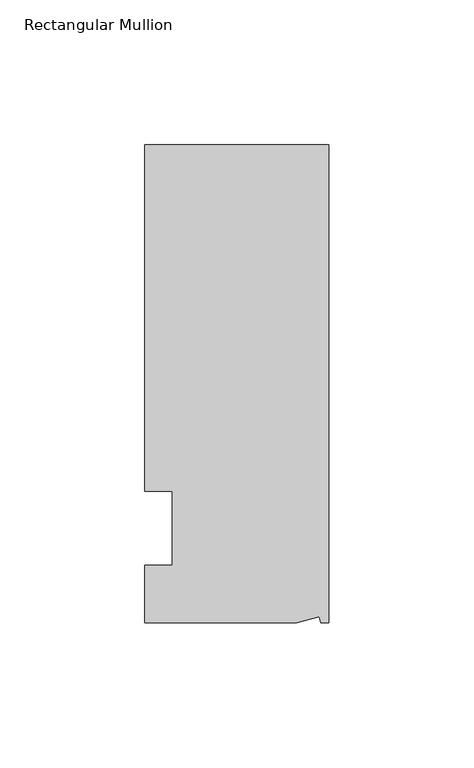
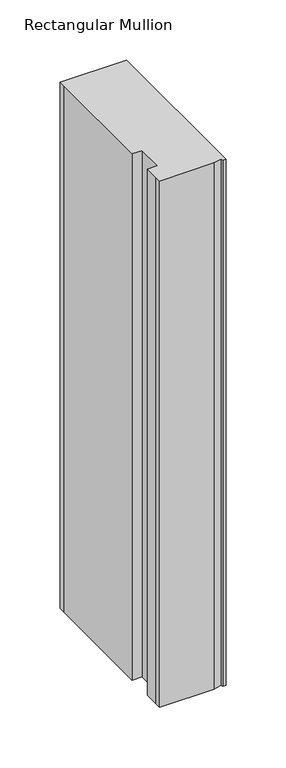
"""IFC4 building model written with IfcOpenShell, lengths in millimetres: member geometry, Rectangular Mullion."""

import ifcopenshell
import ifcopenshell.guid

model = None  # the IFC model being written
_history = None  # IfcOwnerHistory: only IFC2X3 demands one
_inside = {}  # id of a spatial element -> (the spatial element, [elements in it])
_under = {}  # id of a project, library or spatial element -> (it, [spatial elements below it])
_declared = {}  # id of a project -> (the project, [libraries it declares])
_typed = {}  # id of a type object -> (the type object, [elements of that type])
_made_of = {}  # id of a material, layer set ... -> (it, [elements and type objects made of it])


def new_model(schema):
    """Start an empty IFC model of exactly this schema.

    Asked for "IFC4X3", IfcOpenShell would pick the latest addendum, in which some entities
    have other attributes; the version numbers below select the first issue.
    IFC2X3 requires an IfcOwnerHistory on every rooted entity: one is made here for all.
    """
    global model, _history
    if schema == "IFC4X3":
        model = ifcopenshell.file(schema_version=(4, 3, 0, 0))
    else:
        model = ifcopenshell.file(schema=schema)
    _inside.clear()
    _under.clear()
    _declared.clear()
    _typed.clear()
    _made_of.clear()
    _history = None
    if model.schema == "IFC2X3":
        org = make("IfcOrganization", Name="unknown")
        user = make(
            "IfcPersonAndOrganization",
            ThePerson=make("IfcPerson", FamilyName="unknown"),
            TheOrganization=org,
        )
        app = make(
            "IfcApplication",
            ApplicationDeveloper=org,
            Version="unknown",
            ApplicationFullName="unknown",
            ApplicationIdentifier="unknown",
        )
        _history = make(
            "IfcOwnerHistory",
            OwningUser=user,
            OwningApplication=app,
            ChangeAction="ADDED",
            CreationDate=0,
        )
    return model


def make(cls, **values):
    """One entity of the class cls with the attributes given. An attribute that is None is left unset."""
    return model.create_entity(
        cls, **{name: value for name, value in values.items() if value is not None}
    )


def rooted(cls, **values):
    """An entity with a GlobalId (a new one), such as an element, a storey or a relation."""
    return make(cls, GlobalId=ifcopenshell.guid.new(), OwnerHistory=_history, **values)


def si_unit(unit_type, name, prefix=None):
    """IfcSIUnit, for example si_unit("LENGTHUNIT", "METRE", prefix="MILLI")."""
    return make("IfcSIUnit", UnitType=unit_type, Prefix=prefix, Name=name)


def assignment(units):
    """IfcUnitAssignment: the units of a project."""
    return None if units is None else make("IfcUnitAssignment", Units=units)


def point(xyz):
    """IfcCartesianPoint."""
    return None if xyz is None else make("IfcCartesianPoint", Coordinates=xyz)


def direction(xyz):
    """IfcDirection."""
    return None if xyz is None else make("IfcDirection", DirectionRatios=xyz)


def frame(location, z_axis=None, x_axis=None):
    """IfcAxis2Placement3D, a coordinate frame: its origin and axes. An axis left out is left unset."""
    return make(
        "IfcAxis2Placement3D",
        Location=point(location),
        Axis=direction(z_axis),
        RefDirection=direction(x_axis),
    )


def origin():
    """The frame at (0, 0, 0) with its axes left unset."""
    return frame((0.0, 0.0, 0.0))


def place(relative_to, where):
    """IfcLocalPlacement: puts the frame where relative to a parent placement (None: the world)."""
    return make(
        "IfcLocalPlacement", PlacementRelTo=relative_to, RelativePlacement=where
    )


def context(
    kind, dimensions, precision=None, world=None, true_north=None, identifier=None
):
    """IfcGeometricRepresentationContext, for example the 3D "Model" context."""
    return make(
        "IfcGeometricRepresentationContext",
        ContextIdentifier=identifier,
        ContextType=kind,
        CoordinateSpaceDimension=dimensions,
        Precision=precision,
        WorldCoordinateSystem=world,
        TrueNorth=true_north,
    )


def project(units=None, contexts=None):
    """IfcProject with its units and contexts."""
    return rooted(
        "IfcProject",
        Name="project",
        RepresentationContexts=contexts,
        UnitsInContext=assignment(units),
    )


def spatial(cls, under=None, at=None, **own):
    """A site, building, storey or space (cls), placed at a placement, below another one or the project."""
    s = rooted(cls, ObjectPlacement=at, **own)
    if under is not None:
        _under.setdefault(under.id(), (under, []))[1].append(s)
    return s


def faces_of(points, faces, orient=None, outer=None):
    """IfcFace entities. A face is a list of loops; a loop is a list of indices into points, from 0.

    orient and outer hold one flag for each loop. By default every Orientation is true, the
    first loop of a face is its IfcFaceOuterBound and the others are IfcFaceBound.
    """
    made = []
    for i, loops in enumerate(faces):
        bounds = []
        for j, loop in enumerate(loops):
            is_outer = j == 0 if outer is None else outer[i][j]
            bounds.append(
                make(
                    "IfcFaceOuterBound" if is_outer else "IfcFaceBound",
                    Bound=make("IfcPolyLoop", Polygon=[points[k] for k in loop]),
                    Orientation=True if orient is None else orient[i][j],
                )
            )
        made.append(make("IfcFace", Bounds=bounds))
    return made


def faceted_brep(points, faces, orient=None, outer=None, voids=None):
    """IfcFacetedBrep: a solid bounded by flat faces; with voids (closed shells), ...WithVoids."""
    shared = [point(p) for p in points]
    hull = make("IfcClosedShell", CfsFaces=faces_of(shared, faces, orient, outer))
    if voids is None:
        return make("IfcFacetedBrep", Outer=hull)
    return make(
        "IfcFacetedBrepWithVoids",
        Outer=hull,
        Voids=[
            make(cls, CfsFaces=faces_of(shared, fs, o, b)) for cls, fs, o, b in voids
        ],
    )


def shape(context_of_items, identifier, shape_type, items):
    """IfcShapeRepresentation: the items that make up one representation, for example the "Body"."""
    return make(
        "IfcShapeRepresentation",
        ContextOfItems=context_of_items,
        RepresentationIdentifier=identifier,
        RepresentationType=shape_type,
        Items=items,
    )


def source(mapping_origin, context_of_items, identifier, shape_type, items):
    """IfcRepresentationMap: a shape defined once, which mapped items show again and again."""
    return make(
        "IfcRepresentationMap",
        MappingOrigin=mapping_origin,
        MappedRepresentation=shape(context_of_items, identifier, shape_type, items),
    )


def transform(
    local_origin,
    x_axis=None,
    y_axis=None,
    z_axis=None,
    scale=None,
    scale2=None,
    scale3=None,
    uniform=True,
):
    """IfcCartesianTransformationOperator3D, or its non-uniform kind. x_axis, y_axis, z_axis: its Axis1, 2, 3."""
    if uniform:
        return make(
            "IfcCartesianTransformationOperator3D",
            Axis1=direction(x_axis),
            Axis2=direction(y_axis),
            LocalOrigin=point(local_origin),
            Scale=scale,
            Axis3=direction(z_axis),
        )
    return make(
        "IfcCartesianTransformationOperator3DnonUniform",
        Axis1=direction(x_axis),
        Axis2=direction(y_axis),
        LocalOrigin=point(local_origin),
        Scale=scale,
        Axis3=direction(z_axis),
        Scale2=scale2,
        Scale3=scale3,
    )


def mapped(mapping_source, mapping_target):
    """IfcMappedItem: shows the shape of a source again, moved by a transform."""
    return make(
        "IfcMappedItem", MappingSource=mapping_source, MappingTarget=mapping_target
    )


def made_of(thing, what):
    """Note that an element or type object is made of a material, layer set ...; save() writes the relation."""
    if what is not None:
        _made_of.setdefault(what.id(), (what, []))[1].append(thing)
    return thing


def element(
    cls,
    number,
    at=None,
    inside=None,
    cuts=None,
    type_object=None,
    material=None,
    context=None,
    identifier="Body",
    shape_type=None,
    held_by="IfcProductDefinitionShape",
    body=None,
    shapes=None,
    **own,
):
    """One element of the class cls, such as IfcWall. Its Tag is "e" and its number.

    at: its placement. inside: the storey or other place that contains it. cuts: it is an
    opening in that element (IfcRelVoidsElement). A single representation is given by context,
    identifier, shape_type and body (its items); several are given by shapes. held_by: the class
    of the entity that holds the representations. save() writes the other relations.
    """
    e = rooted(cls, Tag="e%d" % number, ObjectPlacement=at, **own)
    if body is not None:
        shapes = [shape(context, identifier, shape_type, body)]
    if shapes is not None:
        e.Representation = make(held_by, Representations=shapes)
    if inside is not None:
        _inside.setdefault(inside.id(), (inside, []))[1].append(e)
    if cuts is not None:
        rooted(
            "IfcRelVoidsElement", RelatingBuildingElement=cuts, RelatedOpeningElement=e
        )
    if type_object is not None:
        _typed.setdefault(type_object.id(), (type_object, []))[1].append(e)
    return made_of(e, material)


def aggregate(whole, parts):
    """IfcRelAggregates: a whole, such as a stair, and the parts it consists of."""
    return rooted("IfcRelAggregates", RelatingObject=whole, RelatedObjects=parts)


def save(model, path):
    """Write the relations noted so far, then the file.

    IfcRelAggregates (storeys below a building ...), IfcRelContainedInSpatialStructure (elements
    in a storey), IfcRelDefinesByType, IfcRelAssociatesMaterial and IfcRelDeclares: one each for
    every whole, place, type object, material and project.
    """
    for whole, parts in _under.values():
        aggregate(whole, parts)
    for where, things in _inside.values():
        rooted(
            "IfcRelContainedInSpatialStructure",
            RelatedElements=things,
            RelatingStructure=where,
        )
    for kind, things in _typed.values():
        rooted("IfcRelDefinesByType", RelatedObjects=things, RelatingType=kind)
    for what, things in _made_of.values():
        rooted("IfcRelAssociatesMaterial", RelatedObjects=things, RelatingMaterial=what)
    for by, libraries in _declared.values():
        rooted("IfcRelDeclares", RelatingContext=by, RelatedDefinitions=libraries)
    model.write(path)


def rectangular_mullion_608979ba(model_context):
    return source(origin(), model_context, "Body", "Brep", [
        faceted_brep([(0.0, 132.5561012, 0.0), (-63.5, 132.5561012, 0.0), (-63.5, 126.2061012, 0.0), (-63.5, 12.8488281, 0.0), (-53.975, 12.8488281, 0.0), (-53.975, -12.7, 0.0), (-63.5, -12.7, 0.0), (-63.5, -26.1938988, 0.0), (-63.5076469, -32.5438988, 0.0), (-11.1125, -32.5438988, 0.0), (-3.3223696, -30.4565397, 0.0), (-2.7630634, -32.5438988, 0.0), (0.0, -32.5438988, 0.0), (0.0, 132.5561012, -533.4), (0.0, -32.5438988, -533.4), (-2.7630634, -32.5438988, -533.4), (-3.3223696, -30.4565397, -533.4), (-11.1125, -32.5438988, -533.4), (-63.5076469, -32.5438988, -533.4), (-63.5076469, -26.1938988, -533.4), (-63.5, -12.7, -533.4), (-53.975, -12.7, -533.4), (-53.975, 12.8488281, -533.4), (-63.5, 12.8488281, -533.4), (-63.5, 126.2061012, -533.4), (-63.5, 132.5561012, -533.4)], [[[0, 1, 2, 3, 4, 5, 6, 7, 8, 9, 10, 11, 12]], [[13, 14, 15, 16, 17, 18, 19, 20, 21, 22, 23, 24, 25]], [[1, 0, 13, 25]], [[3, 2, 24, 23]], [[4, 3, 23, 22]], [[5, 4, 22, 21]], [[6, 5, 21, 20]], [[7, 6, 20, 19]], [[9, 8, 18, 17]], [[10, 9, 17, 16]], [[11, 10, 16, 15]], [[12, 11, 15, 14]], [[0, 12, 14, 13]], [[2, 1, 25, 24]], [[8, 7, 19, 18]]]),
    ])


if __name__ == "__main__":
    model = new_model("IFC4")
    model_context = context("Model", 3, world=origin())
    ifc_project = project(units=[si_unit("LENGTHUNIT", "METRE", prefix="MILLI")], contexts=[model_context])
    site = spatial("IfcSite", under=ifc_project)
    building = spatial("IfcBuilding", under=site)
    placement = place(None, origin())
    rectangular_mullion_shape = rectangular_mullion_608979ba(model_context)
    element("IfcMember", 1, ObjectType="Rectangular Mullion", at=placement, inside=building, context=model_context, shape_type="MappedRepresentation", body=[
        mapped(rectangular_mullion_shape, transform((0.0, 0.0, 0.0), x_axis=(1.0, 0.0, 0.0), y_axis=(0.0, 1.0, 0.0), z_axis=(0.0, 0.0, 1.0))),
    ])
    save(model, "model.ifc")
